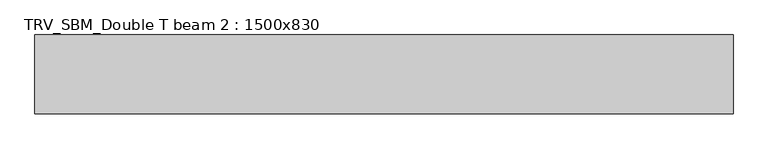
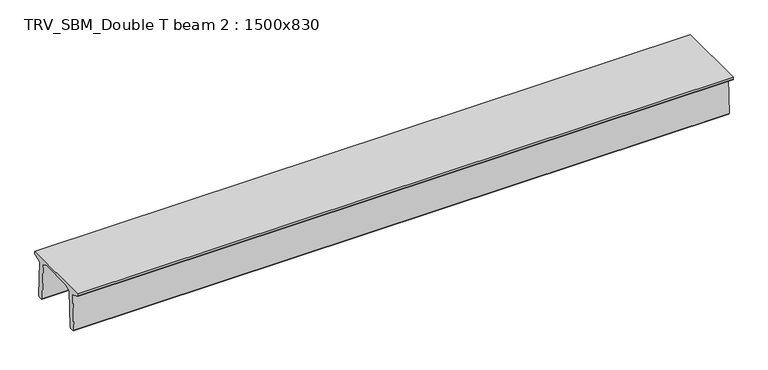
"""IFC4 building model written with IfcOpenShell, lengths in millimetres: beam geometry, TRV_SBM_Double T beam 2 : 1500x830."""

from ifc_helpers import new_model, si_unit, frame, origin, place, context, project, spatial, polyline, outline, extrude, source, transform, mapped, element, save


def trv_sbm_double_t_beam_2_1500x830_51c26efa(model_context):
    return source(origin(), model_context, "Body", "SweptSolid", [
        extrude(outline(polyline([(337.4555014, 470.0), (-343.4555014, 470.0), (-456.5828437, 409.8491251), (-494.786332, -340.5206011), (-514.2657308, -360.0), (-604.2657308, -360.0), (-624.8277662, -339.4379646), (-586.9373878, 401.9654693), (-752.8511046, 468.9989621), (-753.0, 475.0), (-753.0, 520.0), (747.0, 520.0), (747.0, 475.0), (746.8511046, 468.9989621), (580.9373878, 401.9654693), (618.8277662, -339.4379646), (598.2657308, -360.0), (508.2657308, -360.0), (488.786332, -340.5206011), (450.5828437, 409.8491251), (337.4555014, 470.0)])), frame((-6651.0, 0.0, 0.0), z_axis=(1.0, 0.0, 0.0), x_axis=(0.0, 1.0, 0.0)), (0.0, 0.0, 1.0), 13302.0),
    ])


if __name__ == "__main__":
    model = new_model("IFC4")
    model_context = context("Model", 3, world=origin())
    ifc_project = project(units=[si_unit("LENGTHUNIT", "METRE", prefix="MILLI")], contexts=[model_context])
    site = spatial("IfcSite", under=ifc_project)
    building = spatial("IfcBuilding", under=site)
    placement = place(None, origin())
    trv_sbm_double_t_beam_2_1500x830_shape = trv_sbm_double_t_beam_2_1500x830_51c26efa(model_context)
    element("IfcBeam", 1, ObjectType="TRV_SBM_Double T beam 2 : 1500x830", at=placement, inside=building, context=model_context, shape_type="MappedRepresentation", body=[
        mapped(trv_sbm_double_t_beam_2_1500x830_shape, transform((0.0, 0.0, 0.0), x_axis=(1.0, 0.0, 0.0), y_axis=(0.0, 1.0, 0.0), z_axis=(0.0, 0.0, 1.0))),
    ])
    save(model, "model.ifc")
